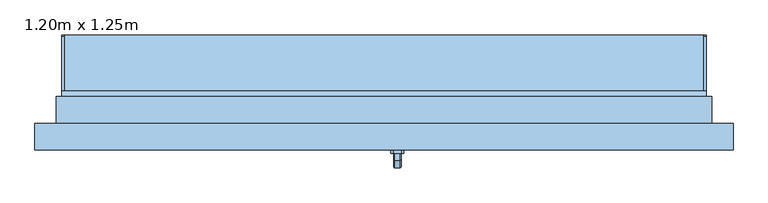
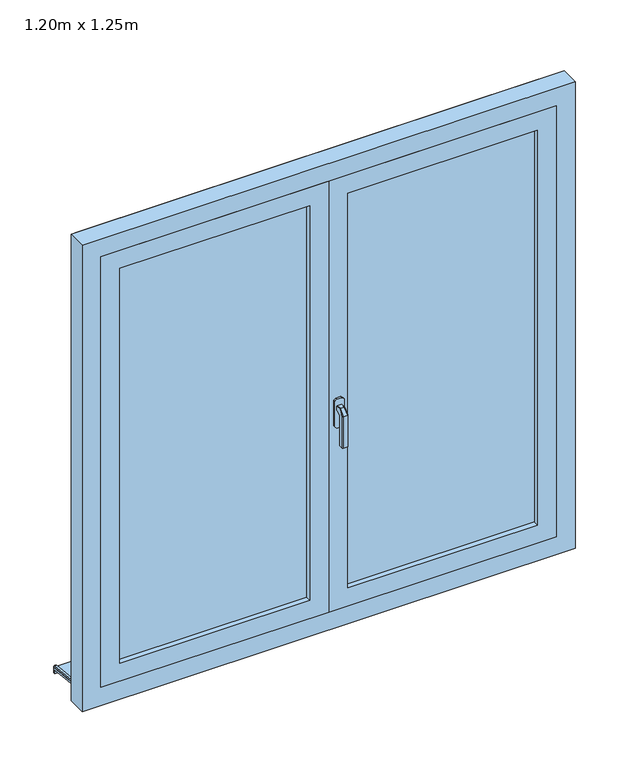
"""IFC4 building model written with IfcOpenShell, lengths in millimetres: window geometry, 1.20m x 1.25m."""

from ifc_helpers import new_model, si_unit, point, frame, frame_2d, origin, place, context, project, spatial, polyline, circle_curve, trimmed, segment, composite_curve, outline, extrude, faceted_brep, source, transform, mapped, element, save


def window_1_20m_x_1_25m_91beac24(model_context):
    return source(origin(), model_context, "Body", "SolidModel", [
        faceted_brep([(30.6460097, -106.0, 1422.0339292), (32.0339292, -106.0, 1420.6460097), (32.0339292, -106.0, 1409.3323012), (30.6676988, -106.0, 1407.9660708), (19.3323012, -106.0, 1407.9660708), (17.9660708, -106.0, 1409.3323012), (17.9660708, -106.0, 1420.6460097), (19.3539903, -106.0, 1422.0339292), (30.6460097, -118.9135489, 1422.0339292), (32.0339292, -118.3386538, 1420.6460097), (32.0339292, -131.6460097, 1407.3386538), (32.0339292, -131.6460097, 1320.0), (32.0339292, -120.3323012, 1320.0), (32.0339292, -120.3323012, 1402.6523623), (32.0339292, -113.6523623, 1409.3323012), (30.6676988, -113.0864511, 1407.9660708), (19.3323012, -113.0864511, 1407.9660708), (17.9660708, -113.6523623, 1409.3323012), (17.9660708, -120.3323012, 1402.6523623), (17.9660708, -120.3323012, 1320.0), (17.9660708, -131.6460097, 1320.0), (17.9660708, -131.6460097, 1407.3386538), (17.9660708, -118.3386538, 1420.6460097), (19.3539903, -118.9135489, 1422.0339292), (30.6460097, -133.0339292, 1407.9135489), (30.6676988, -118.9660708, 1402.0864511), (19.3323012, -118.9660708, 1402.0864511), (19.3539903, -133.0339292, 1407.9135489), (30.6460097, -133.0339292, 1320.0), (19.3539903, -133.0339292, 1320.0), (19.3323012, -118.9660708, 1320.0), (30.6676988, -118.9660708, 1320.0)], [[[0, 1, 2, 3, 4, 5, 6, 7]], [[1, 0, 8, 9]], [[2, 1, 9, 10, 11, 12, 13, 14]], [[3, 2, 14, 15]], [[4, 3, 15, 16]], [[5, 4, 16, 17]], [[6, 5, 17, 18, 19, 20, 21, 22]], [[7, 6, 22, 23]], [[0, 7, 23, 8]], [[9, 8, 24, 10]], [[15, 14, 13, 25]], [[16, 15, 25, 26]], [[17, 16, 26, 18]], [[23, 22, 21, 27]], [[8, 23, 27, 24]], [[28, 29, 20, 19, 30, 31, 12, 11]], [[10, 24, 28, 11]], [[25, 13, 12, 31]], [[26, 25, 31, 30]], [[18, 26, 30, 19]], [[27, 21, 20, 29]], [[24, 27, 29, 28]]]),
        extrude(outline(polyline([(1440.0, 32.0), (1440.0, 18.0), (1435.0, 13.0), (1365.0, 13.0), (1360.0, 18.0), (1360.0, 32.0), (1365.0, 37.0), (1435.0, 37.0), (1440.0, 32.0)])), frame((0.0, -106.0, 0.0), z_axis=(0.0, 1.0, 0.0), x_axis=(0.0, 0.0, 1.0)), (0.0, 0.0, 1.0), 6.0),
        extrude(outline(polyline([(115.0, 776.06614), (115.0, 760.5104235), (110.0, 761.0359447), (110.0, 771.3364494), (-20.0, 785.0), (-20.0, 800.0), (-15.0, 800.0), (-15.0, 789.7296906), (115.0, 776.06614)])), frame((-600.0, 0.0, 0.0), z_axis=(1.0, 0.0, 0.0), x_axis=(0.0, 1.0, 0.0)), (0.0, 0.0, 1.0), 1200.0),
        extrude(outline(composite_curve([segment(polyline([(115.0, 776.06614), (-15.0, 789.7296906), (-15.0, 794.757232), (111.4181139, 781.4701528)]), True, "CONTINUOUS"), segment(trimmed(circle_curve(frame_2d((111.0, 777.4920652)), 4.0), [point((111.4181139, 781.4701528))], [point((115.0, 777.4920652))], False, "CARTESIAN"), True, "CONTINUOUS"), segment(polyline([(115.0, 777.4920652), (115.0, 776.06614)]), True, "CONTINUOUS")], self_intersect=False)), frame((-600.0, 0.0, 0.0), z_axis=(1.0, 0.0, 0.0), x_axis=(0.0, 1.0, 0.0)), (0.0, 0.0, 1.0), 5.0),
        extrude(outline(composite_curve([segment(polyline([(115.0, 776.06614), (-15.0, 789.7296906), (-15.0, 794.757232), (111.4181139, 781.4701528)]), True, "CONTINUOUS"), segment(trimmed(circle_curve(frame_2d((111.0, 777.4920652)), 4.0), [point((111.4181139, 781.4701528))], [point((115.0, 777.4920652))], False, "CARTESIAN"), True, "CONTINUOUS"), segment(polyline([(115.0, 777.4920652), (115.0, 776.06614)]), True, "CONTINUOUS")], self_intersect=False)), frame((595.0, 0.0, 0.0), z_axis=(1.0, 0.0, 0.0), x_axis=(0.0, 1.0, 0.0)), (0.0, 0.0, 1.0), 5.0),
        extrude(outline(polyline([(850.0, 0.0), (2050.0, 0.0), (2050.0, -600.0), (850.0, -600.0), (850.0, 0.0)]), holes=[polyline([(900.0, -550.0), (2000.0, -550.0), (2000.0, -50.0), (900.0, -50.0), (900.0, -550.0)])]), frame((0.0, -100.0, 0.0), z_axis=(0.0, 1.0, 0.0), x_axis=(0.0, 0.0, 1.0)), (0.0, 0.0, 1.0), 40.0),
        extrude(outline(polyline([(50.0, -74.0), (550.0, -74.0), (550.0, -86.0), (50.0, -86.0), (50.0, -74.0)])), frame((0.0, 0.0, 900.0), z_axis=(0.0, 0.0, 1.0), x_axis=(1.0, 0.0, 0.0)), (0.0, 0.0, 1.0), 1100.0),
        extrude(outline(polyline([(-550.0, -74.0), (-50.0, -74.0), (-50.0, -86.0), (-550.0, -86.0), (-550.0, -74.0)])), frame((0.0, 0.0, 900.0), z_axis=(0.0, 0.0, 1.0), x_axis=(1.0, 0.0, 0.0)), (0.0, 0.0, 1.0), 1100.0),
        extrude(outline(polyline([(850.0, 600.0), (2050.0, 600.0), (2050.0, 0.0), (850.0, 0.0), (850.0, 600.0)]), holes=[polyline([(900.0, 50.0), (2000.0, 50.0), (2000.0, 550.0), (900.0, 550.0), (900.0, 50.0)])]), frame((0.0, -100.0, 0.0), z_axis=(0.0, 1.0, 0.0), x_axis=(0.0, 0.0, 1.0)), (0.0, 0.0, 1.0), 40.0),
        faceted_brep([(-650.0, -100.0, 800.0), (-650.0, -50.0, 800.0), (-600.0, -50.0, 800.0), (-600.0, 0.0, 800.0), (600.0, 0.0, 800.0), (600.0, -50.0, 800.0), (650.0, -50.0, 800.0), (650.0, -100.0, 800.0), (-650.0, -100.0, 2100.0), (-650.0, -50.0, 2100.0), (650.0, -50.0, 2100.0), (600.0, -50.0, 839.3761425), (-600.0, -50.0, 839.3761425), (-585.0, -50.0, 2035.0), (-585.0, -50.0, 865.0), (585.0, -50.0, 865.0), (585.0, -50.0, 2035.0), (-600.0, 10.0, 823.2991909), (-600.0, 10.0, 795.0), (-600.0, 0.0, 795.0), (600.0, 0.0, 795.0), (600.0, 10.0, 795.0), (600.0, 10.0, 823.2991909), (650.0, -100.0, 2100.0), (600.0, -100.0, 2050.0), (600.0, -100.0, 850.0), (-600.0, -100.0, 850.0), (-600.0, -100.0, 2050.0), (-585.0, -60.0, 2035.0), (-585.0, -60.0, 865.0), (585.0, -60.0, 865.0), (585.0, -60.0, 2035.0), (600.0, -60.0, 2050.0), (-600.0, -60.0, 2050.0), (-600.0, -60.0, 850.0), (600.0, -60.0, 850.0)], [[[0, 1, 2, 3, 4, 5, 6, 7]], [[1, 0, 8, 9]], [[1, 9, 10, 6, 5, 11, 12, 2], [13, 14, 15, 16]], [[12, 17, 18, 19, 3, 2]], [[3, 19, 20, 4]], [[4, 20, 21, 22, 11, 5]], [[6, 10, 23, 7]], [[0, 7, 23, 8], [24, 25, 26, 27]], [[13, 28, 29, 14]], [[29, 30, 15, 14]], [[31, 16, 15, 30]], [[17, 12, 11, 22]], [[32, 33, 34, 35], [28, 31, 30, 29]], [[34, 33, 27, 26]], [[26, 25, 35, 34]], [[24, 32, 35, 25]], [[18, 17, 22, 21]], [[19, 18, 21, 20]], [[13, 16, 31, 28]], [[33, 32, 24, 27]], [[10, 9, 8, 23]]]),
        extrude(outline(polyline([(800.0, -610.0), (800.0, -600.0), (2050.0, -600.0), (2050.0, 600.0), (800.0, 600.0), (800.0, 610.0), (2060.0, 610.0), (2060.0, -610.0), (800.0, -610.0)])), frame((0.0, -50.0, 0.0), z_axis=(0.0, 1.0, 0.0), x_axis=(0.0, 0.0, 1.0)), (0.0, 0.0, 1.0), 50.0),
        extrude(outline(polyline([(20.0, -52.0), (20.0, -60.0), (-20.0, -60.0), (-20.0, -52.0), (20.0, -52.0)])), frame((0.0, 0.0, 865.0), z_axis=(0.0, 0.0, 1.0), x_axis=(1.0, 0.0, 0.0)), (0.0, 0.0, 1.0), 1170.0),
    ])


if __name__ == "__main__":
    model = new_model("IFC4")
    model_context = context("Model", 3, world=origin())
    ifc_project = project(units=[si_unit("LENGTHUNIT", "METRE", prefix="MILLI")], contexts=[model_context])
    site = spatial("IfcSite", under=ifc_project)
    building = spatial("IfcBuilding", under=site)
    placement = place(None, origin())
    window_1_20m_x_1_25m_shape = window_1_20m_x_1_25m_91beac24(model_context)
    element("IfcWindow", 1, ObjectType="1.20m x 1.25m", at=placement, inside=building, context=model_context, shape_type="MappedRepresentation", body=[
        mapped(window_1_20m_x_1_25m_shape, transform((0.0, 0.0, 0.0), x_axis=(1.0, 0.0, 0.0), y_axis=(0.0, 1.0, 0.0), z_axis=(0.0, 0.0, 1.0))),
    ])
    save(model, "model.ifc")
